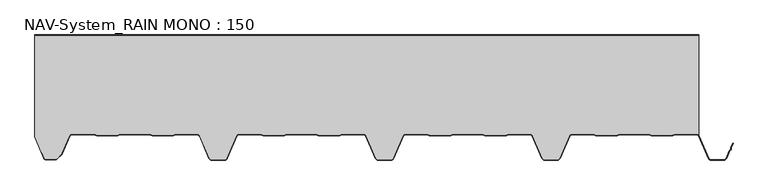
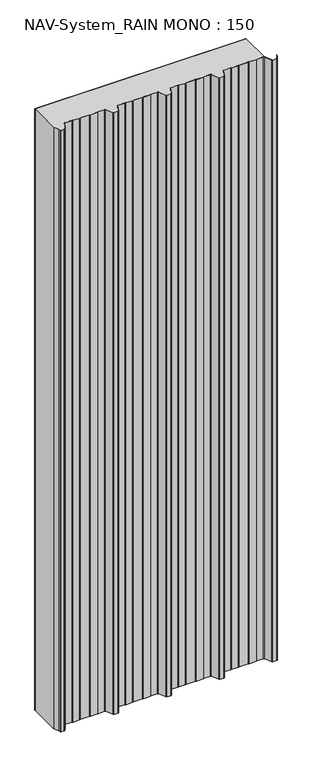
"""IFC4 building model written with IfcOpenShell, lengths in millimetres: plate geometry, NAV-System_RAIN MONO : 150."""

from ifc_helpers import new_model, si_unit, point, frame_2d, origin, origin_with_axes, place, context, project, spatial, polyline, circle_curve, trimmed, segment, composite_curve, outline, extrude, source, transform, mapped, element, save


def nav_system_rain_mono_150_625e1171(model_context):
    return source(origin(), model_context, "Body", "SweptSolid", [
        extrude(outline(polyline([(519.0, -0.8), (-478.0, -0.8), (-478.0, 0.0), (519.0, 0.0), (519.0, -0.8)])), origin_with_axes(), (0.0, 0.0, 1.0), 3000.0),
        extrude(outline(composite_curve([segment(trimmed(circle_curve(frame_2d((515.5898022, -154.0)), 4.8), [point((519.0, -150.6220493))], [point((515.5898022, -149.2))], True, "CARTESIAN"), True, "CONTINUOUS"), segment(polyline([(515.5898022, -149.2), (483.6922468, -149.2), (479.6508228, -150.7), (448.0723788, -150.6741102), (444.1768702, -149.2), (400.3589135, -149.2), (396.3174895, -150.7), (364.7390455, -150.6741102), (360.8435369, -149.2), (328.9416341, -149.2)]), True, "CONTINUOUS"), segment(trimmed(circle_curve(frame_2d((328.9416341, -154.0)), 4.8), [point((328.9416341, -149.2))], [point((324.5314363, -152.1052295))], True, "CARTESIAN"), True, "CONTINUOUS"), segment(polyline([(324.5314363, -152.1052295), (310.330878, -185.1579242)]), True, "CONTINUOUS"), segment(trimmed(circle_curve(frame_2d((306.4719549, -183.5)), 4.2), [point((310.330878, -185.1579242))], [point((306.4719549, -187.7))], False, "CARTESIAN"), True, "CONTINUOUS"), segment(polyline([(306.4719549, -187.7), (288.0594814, -187.7)]), True, "CONTINUOUS"), segment(trimmed(circle_curve(frame_2d((288.0594814, -183.5)), 4.2), [point((288.0594814, -187.7))], [point((284.2005583, -185.1579242))], False, "CARTESIAN"), True, "CONTINUOUS"), segment(polyline([(284.2005583, -185.1579242), (270.0, -152.1052295)]), True, "CONTINUOUS"), segment(trimmed(circle_curve(frame_2d((265.5898022, -154.0)), 4.8), [point((270.0, -152.1052295))], [point((265.5898022, -149.2))], True, "CARTESIAN"), True, "CONTINUOUS"), segment(polyline([(265.5898022, -149.2), (233.6922468, -149.2), (229.6508228, -150.7), (198.0723788, -150.6741102), (194.1768702, -149.2), (150.3589135, -149.2), (146.3174895, -150.7), (114.8074622, -150.7), (110.8435369, -149.2), (78.9416341, -149.2)]), True, "CONTINUOUS"), segment(trimmed(circle_curve(frame_2d((78.9416341, -154.0)), 4.8), [point((78.9416341, -149.2))], [point((74.5314363, -152.1052295))], True, "CARTESIAN"), True, "CONTINUOUS"), segment(polyline([(74.5314363, -152.1052295), (60.330878, -185.1579242)]), True, "CONTINUOUS"), segment(trimmed(circle_curve(frame_2d((56.4719549, -183.5)), 4.2), [point((60.330878, -185.1579242))], [point((56.4719549, -187.7))], False, "CARTESIAN"), True, "CONTINUOUS"), segment(polyline([(56.4719549, -187.7), (38.0594814, -187.7)]), True, "CONTINUOUS"), segment(trimmed(circle_curve(frame_2d((38.0594814, -183.5)), 4.2), [point((38.0594814, -187.7))], [point((34.2005583, -185.1579242))], False, "CARTESIAN"), True, "CONTINUOUS"), segment(polyline([(34.2005583, -185.1579242), (20.0, -152.1052295)]), True, "CONTINUOUS"), segment(trimmed(circle_curve(frame_2d((15.5898022, -154.0)), 4.8), [point((20.0, -152.1052295))], [point((15.5898022, -149.2))], True, "CARTESIAN"), True, "CONTINUOUS"), segment(polyline([(15.5898022, -149.2), (-16.3077532, -149.2), (-20.3491772, -150.7), (-51.9276212, -150.6741102), (-55.8231298, -149.2), (-99.6410865, -149.2), (-103.6825105, -150.7), (-135.1925378, -150.7), (-139.1564631, -149.2), (-171.0583659, -149.2)]), True, "CONTINUOUS"), segment(trimmed(circle_curve(frame_2d((-171.0583659, -154.0)), 4.8), [point((-171.0583659, -149.2))], [point((-175.4685637, -152.1052295))], True, "CARTESIAN"), True, "CONTINUOUS"), segment(polyline([(-175.4685637, -152.1052295), (-189.669122, -185.1579242)]), True, "CONTINUOUS"), segment(trimmed(circle_curve(frame_2d((-193.5280451, -183.5)), 4.2), [point((-189.669122, -185.1579242))], [point((-193.5280451, -187.7))], False, "CARTESIAN"), True, "CONTINUOUS"), segment(polyline([(-193.5280451, -187.7), (-211.9405186, -187.7)]), True, "CONTINUOUS"), segment(trimmed(circle_curve(frame_2d((-211.9405186, -183.5)), 4.2), [point((-211.9405186, -187.7))], [point((-215.7994417, -185.1579242))], False, "CARTESIAN"), True, "CONTINUOUS"), segment(polyline([(-215.7994417, -185.1579242), (-230.0, -152.1052295)]), True, "CONTINUOUS"), segment(trimmed(circle_curve(frame_2d((-234.4101978, -154.0)), 4.8), [point((-230.0, -152.1052295))], [point((-234.4101978, -149.2))], True, "CARTESIAN"), True, "CONTINUOUS"), segment(polyline([(-234.4101978, -149.2), (-266.3077532, -149.2), (-270.3491772, -150.7), (-301.9276212, -150.6741102), (-305.8231298, -149.2), (-349.6410865, -149.2), (-353.6825105, -150.7), (-385.1925378, -150.7), (-389.1564631, -149.2), (-421.9290751, -149.2)]), True, "CONTINUOUS"), segment(trimmed(circle_curve(frame_2d((-421.9290751, -154.0)), 4.8), [point((-421.9290751, -149.2))], [point((-426.3392729, -152.1052295))], True, "CARTESIAN"), True, "CONTINUOUS"), segment(polyline([(-426.3392729, -152.1052295), (-437.4245651, -177.9069459)]), True, "CONTINUOUS"), segment(trimmed(circle_curve(frame_2d((-441.2834882, -176.2490217)), 4.2), [point((-437.4245651, -177.9069459))], [point((-438.3136397, -179.2188701))], False, "CARTESIAN"), True, "CONTINUOUS"), segment(polyline([(-438.3136397, -179.2188701), (-444.764618, -185.6698485)]), True, "CONTINUOUS"), segment(trimmed(circle_curve(frame_2d((-447.7344665, -182.7)), 4.2), [point((-444.764618, -185.6698485))], [point((-447.7344665, -186.9))], False, "CARTESIAN"), True, "CONTINUOUS"), segment(polyline([(-447.7344665, -186.9), (-461.1405186, -186.9)]), True, "CONTINUOUS"), segment(trimmed(circle_curve(frame_2d((-461.1405186, -183.7)), 3.2), [point((-461.1405186, -186.9))], [point((-464.1022482, -184.9116756))], False, "CARTESIAN"), True, "CONTINUOUS"), segment(polyline([(-464.1022482, -184.9116756), (-467.6292254, -176.2905951), (-468.3696578, -176.593514), (-478.0, -153.053822), (-478.0, -0.8), (519.0, -0.8), (519.0, -150.6220493)]), True, "CONTINUOUS")], self_intersect=False)), origin_with_axes(), (0.0, 0.0, 1.0), 3000.0),
        extrude(outline(composite_curve([segment(polyline([(-464.8430228, -185.2145945), (-468.37, -176.593514), (-467.6295676, -176.2905951), (-464.1025904, -184.9116756)]), True, "CONTINUOUS"), segment(trimmed(circle_curve(frame_2d((-461.1408608, -183.7)), 3.2), [point((-464.1025904, -184.9116756))], [point((-461.1408608, -186.9))], True, "CARTESIAN"), True, "CONTINUOUS"), segment(polyline([(-461.1408608, -186.9), (-447.7348087, -186.9)]), True, "CONTINUOUS"), segment(trimmed(circle_curve(frame_2d((-447.7348087, -182.7)), 4.2), [point((-447.7348087, -186.9))], [point((-444.7649603, -185.6698485))], True, "CARTESIAN"), True, "CONTINUOUS"), segment(polyline([(-444.7649603, -185.6698485), (-438.3139819, -179.2188701)]), True, "CONTINUOUS"), segment(trimmed(circle_curve(frame_2d((-441.2838304, -176.2490217)), 4.2), [point((-438.3139819, -179.2188701))], [point((-437.4249073, -177.9069459))], True, "CARTESIAN"), True, "CONTINUOUS"), segment(polyline([(-437.4249073, -177.9069459), (-426.3396151, -152.1052295)]), True, "CONTINUOUS"), segment(trimmed(circle_curve(frame_2d((-421.9294173, -154.0)), 4.8), [point((-426.3396151, -152.1052295))], [point((-421.9294173, -149.2))], False, "CARTESIAN"), True, "CONTINUOUS"), segment(polyline([(-421.9294173, -149.2), (-389.1568054, -149.2), (-385.19288, -150.7), (-353.6828527, -150.7), (-349.6414287, -149.2), (-305.8234721, -149.2), (-301.9279634, -150.6741102), (-270.3495194, -150.7), (-266.3080954, -149.2), (-234.41054, -149.2)]), True, "CONTINUOUS"), segment(trimmed(circle_curve(frame_2d((-234.41054, -154.0)), 4.8), [point((-234.41054, -149.2))], [point((-230.0003422, -152.1052295))], False, "CARTESIAN"), True, "CONTINUOUS"), segment(polyline([(-230.0003422, -152.1052295), (-215.7997839, -185.1579242)]), True, "CONTINUOUS"), segment(trimmed(circle_curve(frame_2d((-211.9408608, -183.5)), 4.2), [point((-215.7997839, -185.1579242))], [point((-211.9408608, -187.7))], True, "CARTESIAN"), True, "CONTINUOUS"), segment(polyline([(-211.9408608, -187.7), (-193.5283873, -187.7)]), True, "CONTINUOUS"), segment(trimmed(circle_curve(frame_2d((-193.5283873, -183.5)), 4.2), [point((-193.5283873, -187.7))], [point((-189.6694642, -185.1579242))], True, "CARTESIAN"), True, "CONTINUOUS"), segment(polyline([(-189.6694642, -185.1579242), (-175.4689059, -152.1052295)]), True, "CONTINUOUS"), segment(trimmed(circle_curve(frame_2d((-171.0587081, -154.0)), 4.8), [point((-175.4689059, -152.1052295))], [point((-171.0587081, -149.2))], False, "CARTESIAN"), True, "CONTINUOUS"), segment(polyline([(-171.0587081, -149.2), (-139.1568054, -149.2), (-135.2612967, -150.6741102), (-103.6828527, -150.7), (-99.6414287, -149.2), (-55.8234721, -149.2), (-51.9279634, -150.6741102), (-20.3495194, -150.7), (-16.3080954, -149.2), (15.58946, -149.2)]), True, "CONTINUOUS"), segment(trimmed(circle_curve(frame_2d((15.58946, -154.0)), 4.8), [point((15.58946, -149.2))], [point((19.9996578, -152.1052295))], False, "CARTESIAN"), True, "CONTINUOUS"), segment(polyline([(19.9996578, -152.1052295), (34.2002161, -185.1579242)]), True, "CONTINUOUS"), segment(trimmed(circle_curve(frame_2d((38.0591392, -183.5)), 4.2), [point((34.2002161, -185.1579242))], [point((38.0591392, -187.7))], True, "CARTESIAN"), True, "CONTINUOUS"), segment(polyline([(38.0591392, -187.7), (56.4716127, -187.7)]), True, "CONTINUOUS"), segment(trimmed(circle_curve(frame_2d((56.4716127, -183.5)), 4.2), [point((56.4716127, -187.7))], [point((60.3305358, -185.1579242))], True, "CARTESIAN"), True, "CONTINUOUS"), segment(polyline([(60.3305358, -185.1579242), (74.5310941, -152.1052295)]), True, "CONTINUOUS"), segment(trimmed(circle_curve(frame_2d((78.9412919, -154.0)), 4.8), [point((74.5310941, -152.1052295))], [point((78.9412919, -149.2))], False, "CARTESIAN"), True, "CONTINUOUS"), segment(polyline([(78.9412919, -149.2), (110.8431946, -149.2), (114.7387033, -150.6741102), (146.3171473, -150.7), (150.3585713, -149.2), (194.1765279, -149.2), (198.0720366, -150.6741102), (229.6504806, -150.7), (233.6919046, -149.2), (265.58946, -149.2)]), True, "CONTINUOUS"), segment(trimmed(circle_curve(frame_2d((265.58946, -154.0)), 4.8), [point((265.58946, -149.2))], [point((269.9996578, -152.1052295))], False, "CARTESIAN"), True, "CONTINUOUS"), segment(polyline([(269.9996578, -152.1052295), (284.2002161, -185.1579242)]), True, "CONTINUOUS"), segment(trimmed(circle_curve(frame_2d((288.0591392, -183.5)), 4.2), [point((284.2002161, -185.1579242))], [point((288.0591392, -187.7))], True, "CARTESIAN"), True, "CONTINUOUS"), segment(polyline([(288.0591392, -187.7), (306.4716127, -187.7)]), True, "CONTINUOUS"), segment(trimmed(circle_curve(frame_2d((306.4716127, -183.5)), 4.2), [point((306.4716127, -187.7))], [point((310.3305358, -185.1579242))], True, "CARTESIAN"), True, "CONTINUOUS"), segment(polyline([(310.3305358, -185.1579242), (324.5310941, -152.1052295)]), True, "CONTINUOUS"), segment(trimmed(circle_curve(frame_2d((328.9412919, -154.0)), 4.8), [point((324.5310941, -152.1052295))], [point((328.9412919, -149.2))], False, "CARTESIAN"), True, "CONTINUOUS"), segment(polyline([(328.9412919, -149.2), (360.8431946, -149.2), (364.7387033, -150.6741102), (396.3171473, -150.7), (400.3585713, -149.2), (444.1765279, -149.2), (448.0720366, -150.6741102), (479.6504806, -150.7), (483.6919046, -149.2), (515.58946, -149.2)]), True, "CONTINUOUS"), segment(trimmed(circle_curve(frame_2d((515.58946, -154.0)), 4.8), [point((515.58946, -149.2))], [point((519.9996578, -152.1052295))], False, "CARTESIAN"), True, "CONTINUOUS"), segment(polyline([(519.9996578, -152.1052295), (534.2002161, -185.1579242)]), True, "CONTINUOUS"), segment(trimmed(circle_curve(frame_2d((538.0591392, -183.5)), 4.2), [point((534.2002161, -185.1579242))], [point((538.0591392, -187.7))], True, "CARTESIAN"), True, "CONTINUOUS"), segment(polyline([(538.0591392, -187.7), (556.4716127, -187.7)]), True, "CONTINUOUS"), segment(trimmed(circle_curve(frame_2d((556.4716127, -183.5)), 4.2), [point((556.4716127, -187.7))], [point((560.3305358, -185.1579242))], True, "CARTESIAN"), True, "CONTINUOUS"), segment(polyline([(560.3305358, -185.1579242), (565.2356202, -173.741031), (567.1121268, -172.0654564), (567.0358547, -169.5508717), (570.0831709, -162.458051), (570.8182039, -162.7738461), (567.8408612, -169.703799), (567.9230626, -172.4138642), (565.9006789, -174.2196957), (561.0655687, -185.4737193)]), True, "CONTINUOUS"), segment(trimmed(circle_curve(frame_2d((556.4716127, -183.5)), 5.0), [point((561.0655687, -185.4737193))], [point((556.4716127, -188.5))], False, "CARTESIAN"), True, "CONTINUOUS"), segment(polyline([(556.4716127, -188.5), (538.0591392, -188.5)]), True, "CONTINUOUS"), segment(trimmed(circle_curve(frame_2d((538.0591392, -183.5)), 5.0), [point((538.0591392, -188.5))], [point((533.4651831, -185.4737193))], False, "CARTESIAN"), True, "CONTINUOUS"), segment(polyline([(533.4651831, -185.4737193), (519.2646248, -152.4210246)]), True, "CONTINUOUS"), segment(trimmed(circle_curve(frame_2d((515.58946, -154.0)), 4.0), [point((519.2646248, -152.4210246))], [point((515.58946, -150.0))], True, "CARTESIAN"), True, "CONTINUOUS"), segment(polyline([(515.58946, -150.0), (483.8338601, -150.0), (479.8699347, -151.5), (447.9941505, -151.5), (444.0302251, -150.0), (400.5005268, -150.0), (396.5366014, -151.5), (364.6608172, -151.5), (360.6968918, -150.0), (328.9412919, -150.0)]), True, "CONTINUOUS"), segment(trimmed(circle_curve(frame_2d((328.9412919, -154.0)), 4.0), [point((328.9412919, -150.0))], [point((325.2661271, -152.4210246))], True, "CARTESIAN"), True, "CONTINUOUS"), segment(polyline([(325.2661271, -152.4210246), (311.0655687, -185.4737193)]), True, "CONTINUOUS"), segment(trimmed(circle_curve(frame_2d((306.4716127, -183.5)), 5.0), [point((311.0655687, -185.4737193))], [point((306.4716127, -188.5))], False, "CARTESIAN"), True, "CONTINUOUS"), segment(polyline([(306.4716127, -188.5), (288.0591392, -188.5)]), True, "CONTINUOUS"), segment(trimmed(circle_curve(frame_2d((288.0591392, -183.5)), 5.0), [point((288.0591392, -188.5))], [point((283.4651831, -185.4737193))], False, "CARTESIAN"), True, "CONTINUOUS"), segment(polyline([(283.4651831, -185.4737193), (269.2646248, -152.4210246)]), True, "CONTINUOUS"), segment(trimmed(circle_curve(frame_2d((265.58946, -154.0)), 4.0), [point((269.2646248, -152.4210246))], [point((265.58946, -150.0))], True, "CARTESIAN"), True, "CONTINUOUS"), segment(polyline([(265.58946, -150.0), (233.8338601, -150.0), (229.8699347, -151.5), (197.9941505, -151.5), (194.0302251, -150.0), (150.5005268, -150.0), (146.5366014, -151.5), (114.6608172, -151.5), (110.6968918, -150.0), (78.9412919, -150.0)]), True, "CONTINUOUS"), segment(trimmed(circle_curve(frame_2d((78.9412919, -154.0)), 4.0), [point((78.9412919, -150.0))], [point((75.2661271, -152.4210246))], True, "CARTESIAN"), True, "CONTINUOUS"), segment(polyline([(75.2661271, -152.4210246), (61.0655687, -185.4737193)]), True, "CONTINUOUS"), segment(trimmed(circle_curve(frame_2d((56.4716127, -183.5)), 5.0), [point((61.0655687, -185.4737193))], [point((56.4716127, -188.5))], False, "CARTESIAN"), True, "CONTINUOUS"), segment(polyline([(56.4716127, -188.5), (38.0591392, -188.5)]), True, "CONTINUOUS"), segment(trimmed(circle_curve(frame_2d((38.0591392, -183.5)), 5.0), [point((38.0591392, -188.5))], [point((33.4651831, -185.4737193))], False, "CARTESIAN"), True, "CONTINUOUS"), segment(polyline([(33.4651831, -185.4737193), (19.2646248, -152.4210246)]), True, "CONTINUOUS"), segment(trimmed(circle_curve(frame_2d((15.58946, -154.0)), 4.0), [point((19.2646248, -152.4210246))], [point((15.58946, -150.0))], True, "CARTESIAN"), True, "CONTINUOUS"), segment(polyline([(15.58946, -150.0), (-16.1661399, -150.0), (-20.1300653, -151.5), (-52.0058495, -151.5), (-55.9697749, -150.0), (-99.4994732, -150.0), (-103.4633986, -151.5), (-135.3391828, -151.5), (-139.3031082, -150.0), (-171.0587081, -150.0)]), True, "CONTINUOUS"), segment(trimmed(circle_curve(frame_2d((-171.0587081, -154.0)), 4.0), [point((-171.0587081, -150.0))], [point((-174.7338729, -152.4210246))], True, "CARTESIAN"), True, "CONTINUOUS"), segment(polyline([(-174.7338729, -152.4210246), (-188.9344313, -185.4737193)]), True, "CONTINUOUS"), segment(trimmed(circle_curve(frame_2d((-193.5283873, -183.5)), 5.0), [point((-188.9344313, -185.4737193))], [point((-193.5283873, -188.5))], False, "CARTESIAN"), True, "CONTINUOUS"), segment(polyline([(-193.5283873, -188.5), (-211.9408608, -188.5)]), True, "CONTINUOUS"), segment(trimmed(circle_curve(frame_2d((-211.9408608, -183.5)), 5.0), [point((-211.9408608, -188.5))], [point((-216.5348169, -185.4737193))], False, "CARTESIAN"), True, "CONTINUOUS"), segment(polyline([(-216.5348169, -185.4737193), (-230.7353752, -152.4210246)]), True, "CONTINUOUS"), segment(trimmed(circle_curve(frame_2d((-234.41054, -154.0)), 4.0), [point((-230.7353752, -152.4210246))], [point((-234.41054, -150.0))], True, "CARTESIAN"), True, "CONTINUOUS"), segment(polyline([(-234.41054, -150.0), (-266.1661399, -150.0), (-270.1300653, -151.5), (-302.0058495, -151.5), (-305.9697749, -150.0), (-349.4994732, -150.0), (-353.4633986, -151.5), (-385.3391828, -151.5), (-389.3031082, -150.0), (-421.9294173, -150.0)]), True, "CONTINUOUS"), segment(trimmed(circle_curve(frame_2d((-421.9294173, -154.0)), 4.0), [point((-421.9294173, -150.0))], [point((-425.6045822, -152.4210246))], True, "CARTESIAN"), True, "CONTINUOUS"), segment(polyline([(-425.6045822, -152.4210246), (-436.6898744, -178.2227409)]), True, "CONTINUOUS"), segment(trimmed(circle_curve(frame_2d((-441.2838304, -176.2490217)), 5.0), [point((-436.6898744, -178.2227409))], [point((-437.7482965, -179.7845556))], False, "CARTESIAN"), True, "CONTINUOUS"), segment(polyline([(-437.7482965, -179.7845556), (-444.1992748, -186.2355339)]), True, "CONTINUOUS"), segment(trimmed(circle_curve(frame_2d((-447.7348087, -182.7)), 5.0), [point((-444.1992748, -186.2355339))], [point((-447.7348087, -187.7))], False, "CARTESIAN"), True, "CONTINUOUS"), segment(polyline([(-447.7348087, -187.7), (-461.1408608, -187.7)]), True, "CONTINUOUS"), segment(trimmed(circle_curve(frame_2d((-461.1408608, -183.7)), 4.0), [point((-461.1408608, -187.7))], [point((-464.8430228, -185.2145945))], False, "CARTESIAN"), True, "CONTINUOUS")], self_intersect=False)), origin_with_axes(), (0.0, 0.0, 1.0), 3000.0),
    ])


if __name__ == "__main__":
    model = new_model("IFC4")
    model_context = context("Model", 3, world=origin())
    ifc_project = project(units=[si_unit("LENGTHUNIT", "METRE", prefix="MILLI")], contexts=[model_context])
    site = spatial("IfcSite", under=ifc_project)
    building = spatial("IfcBuilding", under=site)
    placement = place(None, origin())
    nav_system_rain_mono_150_shape = nav_system_rain_mono_150_625e1171(model_context)
    element("IfcPlate", 1, ObjectType="NAV-System_RAIN MONO : 150", at=placement, inside=building, context=model_context, shape_type="MappedRepresentation", body=[
        mapped(nav_system_rain_mono_150_shape, transform((0.0, 0.0, 0.0), x_axis=(1.0, 0.0, 0.0), y_axis=(0.0, 1.0, 0.0), z_axis=(0.0, 0.0, 1.0))),
    ])
    save(model, "model.ifc")
